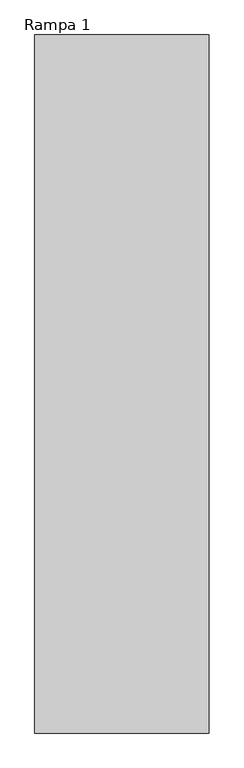
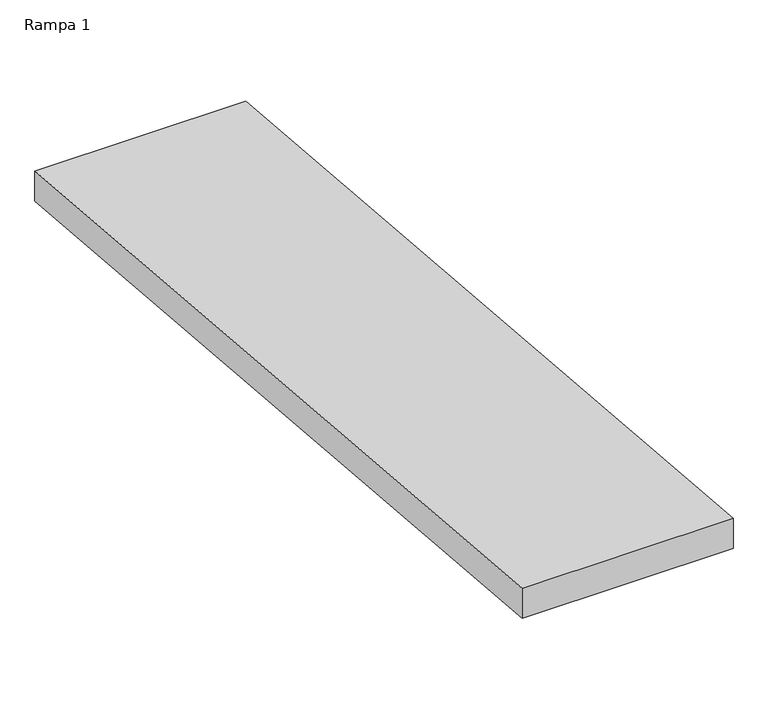
"""IFC4 building model written with IfcOpenShell, lengths in millimetres: ramp geometry, Rampa 1."""

from ifc_helpers import new_model, si_unit, frame, origin, place, context, project, spatial, polyline, outline, extrude, source, transform, mapped, element, save


def rampa_1_f537623a(model_context):
    return source(origin(), model_context, "Body", "SweptSolid", [
        extrude(outline(polyline([(6822.50302, -1166.6666667), (10822.50302, -1500.0), (10822.50302, -1650.5199322), (6822.50302, -1317.1865989), (6822.50302, -1166.6666667)])), frame((-26455.945662, 0.0, 0.0), z_axis=(1.0, 0.0, 0.0), x_axis=(0.0, 1.0, 0.0)), (0.0, 0.0, 1.0), 1000.0),
    ])


if __name__ == "__main__":
    model = new_model("IFC4")
    model_context = context("Model", 3, world=origin())
    ifc_project = project(units=[si_unit("LENGTHUNIT", "METRE", prefix="MILLI")], contexts=[model_context])
    site = spatial("IfcSite", under=ifc_project)
    building = spatial("IfcBuilding", under=site)
    placement = place(None, origin())
    rampa_1_shape = rampa_1_f537623a(model_context)
    element("IfcRamp", 1, ObjectType="Rampa 1", at=placement, inside=building, context=model_context, shape_type="MappedRepresentation", body=[
        mapped(rampa_1_shape, transform((0.0, 0.0, 0.0), x_axis=(1.0, 0.0, 0.0), y_axis=(0.0, 1.0, 0.0), z_axis=(0.0, 0.0, 1.0))),
    ])
    save(model, "model.ifc")
